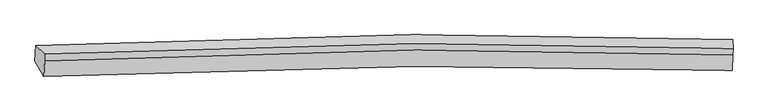
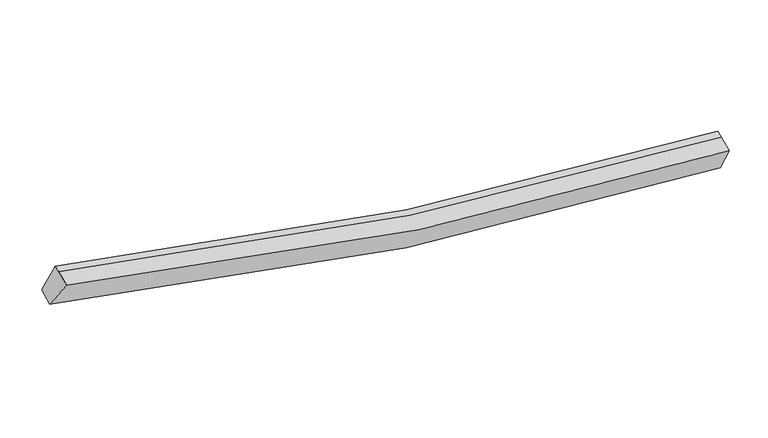
"""IFC4 building model written with IfcOpenShell, lengths in millimetres: proxy geometry."""

import ifcopenshell
import ifcopenshell.guid

model = None  # the IFC model being written
_history = None  # IfcOwnerHistory: only IFC2X3 demands one
_inside = {}  # id of a spatial element -> (the spatial element, [elements in it])
_under = {}  # id of a project, library or spatial element -> (it, [spatial elements below it])
_declared = {}  # id of a project -> (the project, [libraries it declares])
_typed = {}  # id of a type object -> (the type object, [elements of that type])
_made_of = {}  # id of a material, layer set ... -> (it, [elements and type objects made of it])


def new_model(schema):
    """Start an empty IFC model of exactly this schema.

    Asked for "IFC4X3", IfcOpenShell would pick the latest addendum, in which some entities
    have other attributes; the version numbers below select the first issue.
    IFC2X3 requires an IfcOwnerHistory on every rooted entity: one is made here for all.
    """
    global model, _history
    if schema == "IFC4X3":
        model = ifcopenshell.file(schema_version=(4, 3, 0, 0))
    else:
        model = ifcopenshell.file(schema=schema)
    _inside.clear()
    _under.clear()
    _declared.clear()
    _typed.clear()
    _made_of.clear()
    _history = None
    if model.schema == "IFC2X3":
        org = make("IfcOrganization", Name="unknown")
        user = make(
            "IfcPersonAndOrganization",
            ThePerson=make("IfcPerson", FamilyName="unknown"),
            TheOrganization=org,
        )
        app = make(
            "IfcApplication",
            ApplicationDeveloper=org,
            Version="unknown",
            ApplicationFullName="unknown",
            ApplicationIdentifier="unknown",
        )
        _history = make(
            "IfcOwnerHistory",
            OwningUser=user,
            OwningApplication=app,
            ChangeAction="ADDED",
            CreationDate=0,
        )
    return model


def make(cls, **values):
    """One entity of the class cls with the attributes given. An attribute that is None is left unset."""
    return model.create_entity(
        cls, **{name: value for name, value in values.items() if value is not None}
    )


def rooted(cls, **values):
    """An entity with a GlobalId (a new one), such as an element, a storey or a relation."""
    return make(cls, GlobalId=ifcopenshell.guid.new(), OwnerHistory=_history, **values)


def si_unit(unit_type, name, prefix=None):
    """IfcSIUnit, for example si_unit("LENGTHUNIT", "METRE", prefix="MILLI")."""
    return make("IfcSIUnit", UnitType=unit_type, Prefix=prefix, Name=name)


def assignment(units):
    """IfcUnitAssignment: the units of a project."""
    return None if units is None else make("IfcUnitAssignment", Units=units)


def point(xyz):
    """IfcCartesianPoint."""
    return None if xyz is None else make("IfcCartesianPoint", Coordinates=xyz)


def direction(xyz):
    """IfcDirection."""
    return None if xyz is None else make("IfcDirection", DirectionRatios=xyz)


def frame(location, z_axis=None, x_axis=None):
    """IfcAxis2Placement3D, a coordinate frame: its origin and axes. An axis left out is left unset."""
    return make(
        "IfcAxis2Placement3D",
        Location=point(location),
        Axis=direction(z_axis),
        RefDirection=direction(x_axis),
    )


def origin():
    """The frame at (0, 0, 0) with its axes left unset."""
    return frame((0.0, 0.0, 0.0))


def place(relative_to, where):
    """IfcLocalPlacement: puts the frame where relative to a parent placement (None: the world)."""
    return make(
        "IfcLocalPlacement", PlacementRelTo=relative_to, RelativePlacement=where
    )


def context(
    kind, dimensions, precision=None, world=None, true_north=None, identifier=None
):
    """IfcGeometricRepresentationContext, for example the 3D "Model" context."""
    return make(
        "IfcGeometricRepresentationContext",
        ContextIdentifier=identifier,
        ContextType=kind,
        CoordinateSpaceDimension=dimensions,
        Precision=precision,
        WorldCoordinateSystem=world,
        TrueNorth=true_north,
    )


def project(units=None, contexts=None):
    """IfcProject with its units and contexts."""
    return rooted(
        "IfcProject",
        Name="project",
        RepresentationContexts=contexts,
        UnitsInContext=assignment(units),
    )


def spatial(cls, under=None, at=None, **own):
    """A site, building, storey or space (cls), placed at a placement, below another one or the project."""
    s = rooted(cls, ObjectPlacement=at, **own)
    if under is not None:
        _under.setdefault(under.id(), (under, []))[1].append(s)
    return s


def shape(context_of_items, identifier, shape_type, items):
    """IfcShapeRepresentation: the items that make up one representation, for example the "Body"."""
    return make(
        "IfcShapeRepresentation",
        ContextOfItems=context_of_items,
        RepresentationIdentifier=identifier,
        RepresentationType=shape_type,
        Items=items,
    )


def source(mapping_origin, context_of_items, identifier, shape_type, items):
    """IfcRepresentationMap: a shape defined once, which mapped items show again and again."""
    return make(
        "IfcRepresentationMap",
        MappingOrigin=mapping_origin,
        MappedRepresentation=shape(context_of_items, identifier, shape_type, items),
    )


def transform(
    local_origin,
    x_axis=None,
    y_axis=None,
    z_axis=None,
    scale=None,
    scale2=None,
    scale3=None,
    uniform=True,
):
    """IfcCartesianTransformationOperator3D, or its non-uniform kind. x_axis, y_axis, z_axis: its Axis1, 2, 3."""
    if uniform:
        return make(
            "IfcCartesianTransformationOperator3D",
            Axis1=direction(x_axis),
            Axis2=direction(y_axis),
            LocalOrigin=point(local_origin),
            Scale=scale,
            Axis3=direction(z_axis),
        )
    return make(
        "IfcCartesianTransformationOperator3DnonUniform",
        Axis1=direction(x_axis),
        Axis2=direction(y_axis),
        LocalOrigin=point(local_origin),
        Scale=scale,
        Axis3=direction(z_axis),
        Scale2=scale2,
        Scale3=scale3,
    )


def mapped(mapping_source, mapping_target):
    """IfcMappedItem: shows the shape of a source again, moved by a transform."""
    return make(
        "IfcMappedItem", MappingSource=mapping_source, MappingTarget=mapping_target
    )


def made_of(thing, what):
    """Note that an element or type object is made of a material, layer set ...; save() writes the relation."""
    if what is not None:
        _made_of.setdefault(what.id(), (what, []))[1].append(thing)
    return thing


def element(
    cls,
    number,
    at=None,
    inside=None,
    cuts=None,
    type_object=None,
    material=None,
    context=None,
    identifier="Body",
    shape_type=None,
    held_by="IfcProductDefinitionShape",
    body=None,
    shapes=None,
    **own,
):
    """One element of the class cls, such as IfcWall. Its Tag is "e" and its number.

    at: its placement. inside: the storey or other place that contains it. cuts: it is an
    opening in that element (IfcRelVoidsElement). A single representation is given by context,
    identifier, shape_type and body (its items); several are given by shapes. held_by: the class
    of the entity that holds the representations. save() writes the other relations.
    """
    e = rooted(cls, Tag="e%d" % number, ObjectPlacement=at, **own)
    if body is not None:
        shapes = [shape(context, identifier, shape_type, body)]
    if shapes is not None:
        e.Representation = make(held_by, Representations=shapes)
    if inside is not None:
        _inside.setdefault(inside.id(), (inside, []))[1].append(e)
    if cuts is not None:
        rooted(
            "IfcRelVoidsElement", RelatingBuildingElement=cuts, RelatedOpeningElement=e
        )
    if type_object is not None:
        _typed.setdefault(type_object.id(), (type_object, []))[1].append(e)
    return made_of(e, material)


def aggregate(whole, parts):
    """IfcRelAggregates: a whole, such as a stair, and the parts it consists of."""
    return rooted("IfcRelAggregates", RelatingObject=whole, RelatedObjects=parts)


def save(model, path):
    """Write the relations noted so far, then the file.

    IfcRelAggregates (storeys below a building ...), IfcRelContainedInSpatialStructure (elements
    in a storey), IfcRelDefinesByType, IfcRelAssociatesMaterial and IfcRelDeclares: one each for
    every whole, place, type object, material and project.
    """
    for whole, parts in _under.values():
        aggregate(whole, parts)
    for where, things in _inside.values():
        rooted(
            "IfcRelContainedInSpatialStructure",
            RelatedElements=things,
            RelatingStructure=where,
        )
    for kind, things in _typed.values():
        rooted("IfcRelDefinesByType", RelatedObjects=things, RelatingType=kind)
    for what, things in _made_of.values():
        rooted("IfcRelAssociatesMaterial", RelatedObjects=things, RelatingMaterial=what)
    for by, libraries in _declared.values():
        rooted("IfcRelDeclares", RelatingContext=by, RelatedDefinitions=libraries)
    model.write(path)


def plane_surface(at):
    """IfcPlane: the flat surface through the origin of the frame at, square to its z axis."""
    return make("IfcPlane", Position=at)


def spline_curve(degree, points, multiplicities, knots, weights=None):
    """IfcBSplineCurveWithKnots; with weights, IfcRationalBSplineCurveWithKnots."""
    own = dict(
        Degree=degree,
        ControlPointsList=[point(p) for p in points],
        CurveForm="UNSPECIFIED",
        ClosedCurve=False,
        SelfIntersect=False,
        KnotMultiplicities=multiplicities,
        Knots=knots,
        KnotSpec="UNSPECIFIED",
    )
    if weights is None:
        return make("IfcBSplineCurveWithKnots", **own)
    return make("IfcRationalBSplineCurveWithKnots", WeightsData=weights, **own)


def spline_surface(u_degree, v_degree, points, u_multiplicities, v_multiplicities, u_knots, v_knots, weights=None):
    """IfcBSplineSurfaceWithKnots; with weights, IfcRationalBSplineSurfaceWithKnots. points: one row for each step in u."""
    own = dict(
        UDegree=u_degree,
        VDegree=v_degree,
        ControlPointsList=[[point(p) for p in row] for row in points],
        SurfaceForm="UNSPECIFIED",
        UClosed=False,
        VClosed=False,
        SelfIntersect=False,
        UMultiplicities=u_multiplicities,
        VMultiplicities=v_multiplicities,
        UKnots=u_knots,
        VKnots=v_knots,
        KnotSpec="UNSPECIFIED",
    )
    if weights is None:
        return make("IfcBSplineSurfaceWithKnots", **own)
    return make("IfcRationalBSplineSurfaceWithKnots", WeightsData=weights, **own)


def advanced_brep(points, edges, surfaces, faces):
    """IfcAdvancedBrep: a solid bounded by faces that lie on surfaces and meet in shared edges.

    An edge is (start, end): straight between two places in points (the first is 0);
    or (start, end, curve); or (start, end, curve, False) where it runs against its curve.
    A face is (place in surfaces, loops), or (place, loops, False) where it looks against
    its surface's normal. A loop lists edges by number (the first is 1), with a minus sign
    where the edge is run from its end to its start. The first loop is the outer one.
    """
    corners = [point(p) for p in points]
    vertices = [make("IfcVertexPoint", VertexGeometry=c) for c in corners]
    made = []
    for start, end, *more in edges:
        made.append(
            make(
                "IfcEdgeCurve",
                EdgeStart=vertices[start],
                EdgeEnd=vertices[end],
                EdgeGeometry=more[0] if more else make("IfcPolyline", Points=[corners[start], corners[end]]),
                SameSense=more[1] if len(more) > 1 else True,
            )
        )
    hull = []
    for where, loops, *sense in faces:
        bounds = []
        for j, loop in enumerate(loops):
            ring = [make("IfcOrientedEdge", EdgeElement=made[abs(k) - 1], Orientation=k > 0) for k in loop]
            bounds.append(
                make(
                    "IfcFaceOuterBound" if j == 0 else "IfcFaceBound",
                    Bound=make("IfcEdgeLoop", EdgeList=ring),
                    Orientation=True,
                )
            )
        hull.append(make("IfcAdvancedFace", Bounds=bounds, FaceSurface=surfaces[where], SameSense=sense[0] if sense else True))
    return make("IfcAdvancedBrep", Outer=make("IfcClosedShell", CfsFaces=hull))


def generic_models_213634e4(model_context):
    return source(origin(), model_context, "Body", "AdvancedBrep", [
        advanced_brep(
        [(-7504.6761158, -2551.7938899, 4562.5397181), (-7703.8435943, -2202.1840984, 3963.2750686), (8038.2160902, -2070.5910285, 1737.3222806), (8037.5094331, -2422.4091819, 2367.5891277), (-7487.2921843, -2204.0461319, 4684.1642933), (8050.2826625, -2074.7123665, 2489.9288624), (-7481.7913735, -2051.0102107, 4730.5296672), (8055.7834732, -1921.6764452, 2536.2942363), (-7683.2873778, -1851.5233839, 4095.9988435), (8051.2658498, -1720.0132511, 1871.2103715)],
        [
            (0, 1),
            (1, 2, spline_curve(3, [(-7703.8435943, -2202.1840984, 3963.2750686), (-4906.239739091, -2066.248755, 3196.666316707), (-2084.286113438, -1991.079128474, 2627.60204487), (3169.989372441, -1964.489514161, 1941.776585034), (5595.388975344, -1995.794783846, 1768.856594213), (8038.2160902, -2070.5910285, 1737.3222806)], [4, 2, 4], [0.0, 28.139989852709146, 51.94641551499688])),
            (2, 3),
            (3, 0, spline_curve(3, [(8037.5094331, -2422.4091819, 2367.5891277), (5618.589055455, -2348.611089887, 2399.581687232), (3220.133071496, -2317.691924785, 2570.579472544), (-1968.723960931, -2343.788526058, 3247.016388314), (-4750.996494156, -2417.835926703, 3807.668800381), (-7504.6761158, -2551.7938899, 4562.5397181)], [4, 2, 4], [0.0, 23.806425662287733, 51.94641551499688])),
            (4, 0),
            (3, 5),
            (5, 4, spline_curve(3, [(8050.2826625, -2074.7123665, 2489.9288624), (5632.336870307, -1989.166288068, 2525.498262612), (3234.731623377, -1951.879532989, 2698.383596926), (-1952.539316655, -1975.822044646, 3375.253117218), (-4734.125684686, -2056.220053944, 3933.779594408), (-7487.2921843, -2204.0461319, 4684.1642933)], [4, 2, 4], [0.0, 23.650487777577652, 51.606153844950725])),
            (6, 4),
            (5, 7),
            (7, 6, spline_curve(3, [(8055.7834732, -1921.6764452, 2536.2942363), (5637.731905278, -1839.073119388, 2570.972069403), (3240.069357608, -1803.380489, 2743.374430911), (-1947.220836318, -1827.858679573, 3420.081655956), (-4728.749904526, -1906.662565119, 3979.091105307), (-7481.7913735, -2051.0102107, 4730.5296672)], [4, 2, 4], [0.0, 23.647011457383215, 51.59856839823793])),
            (8, 6),
            (7, 9),
            (9, 8, spline_curve(3, [(8051.2658498, -1720.0132511, 1871.2103715), (5609.653902309, -1636.426234636, 1905.436597257), (3185.438092539, -1600.353092239, 2079.733315885), (-2066.322779661, -1625.3171537, 2765.693065362), (-4886.958045971, -1705.227006026, 3332.99250371), (-7683.2873778, -1851.5233839, 4095.9988435)], [4, 2, 4], [0.0, 23.797227872878658, 51.92634563146034])),
            (1, 8),
            (9, 2),
        ],
        [
            spline_surface(3, 3, [[(-7504.6761158, -2551.7938899, 4562.5397181), (-4750.99649386, -2417.835926755, 3807.668800321), (-1968.723961342, -2343.788525896, 3247.0163884), (3220.133071844, -2317.691924923, 2570.579472471), (5618.589055603, -2348.611089776, 2399.581687619), (8037.5094331, -2422.4091819, 2367.5891277)], [(-7571.065275303, -2435.257292721, 4362.784834925), (-4802.744242349, -2300.640202876, 3604.001305699), (-2007.244678864, -2226.218726778, 3040.54494049), (3203.418505504, -2199.957787933, 2360.978510099), (5610.855695585, -2231.005654485, 2189.339989914), (8037.744985464, -2305.1364641, 2157.50017866)], [(-7637.454434797, -2318.720695579, 4163.029951775), (-4854.491990829, -2183.444479032, 3400.333811103), (-2045.765396378, -2108.648927741, 2834.073492498), (3186.703939172, -2082.223651024, 2151.377547644), (5603.122335576, -2113.400219193, 1979.098292228), (8037.980537836, -2187.8637463, 1947.41122964)], [(-7703.8435943, -2202.1840984, 3963.2750686), (-4906.239739318, -2066.248755153, 3196.666316481), (-2084.2861139, -1991.079128623, 2627.602044588), (3169.989372832, -1964.489514035, 1941.776585272), (5595.388975558, -1995.794783901, 1768.856594522), (8038.2160902, -2070.5910285, 1737.3222806)]], [4, 4], [4, 2, 4], [0.0, 2.367691374182162], [0.0, 28.139989852709146, 51.94641551499688]),
            spline_surface(3, 3, [[(-7487.2921843, -2204.0461319, 4684.1642933), (-4734.125684774, -2056.220054314, 3933.779593952), (-1952.539316319, -1975.82204432, 3375.25311753), (3234.731623094, -1951.879533264, 2698.383596662), (5632.336870266, -1989.16628815, 2525.498262768), (8050.2826625, -2074.7123665, 2489.9288624)], [(-7493.086828143, -2319.962051239, 4643.622768258), (-4739.749287813, -2176.758678467, 3891.742662766), (-1957.934197986, -2098.477538201, 3332.507541144), (3229.865439351, -2073.816997172, 2655.782221922), (5627.754265393, -2108.981222046, 2483.526071054), (8046.024919381, -2190.611304988, 2449.148950836)], [(-7498.881471957, -2435.877970561, 4603.081243142), (-4745.372890821, -2297.297302602, 3849.705731507), (-1963.329079676, -2221.133032015, 3289.761964787), (3224.999255586, -2195.754461015, 2613.180847211), (5623.171660476, -2228.79615588, 2441.553879333), (8041.767176219, -2306.510243412, 2408.369039264)], [(-7504.6761158, -2551.7938899, 4562.5397181), (-4750.99649386, -2417.835926755, 3807.668800321), (-1968.723961342, -2343.788525896, 3247.0163884), (3220.133071844, -2317.691924923, 2570.579472471), (5618.589055603, -2348.611089776, 2399.581687619), (8037.5094331, -2422.4091819, 2367.5891277)]], [4, 4], [4, 2, 4], [0.0, 1.2760325743631833], [0.0, 27.955666067373073, 51.606153844950725]),
            spline_surface(3, 3, [[(-7481.7913735, -2051.0102107, 4730.5296672), (-4728.749904731, -1906.662565289, 3979.091105417), (-1947.220836453, -1827.858679437, 3420.081656386), (3240.069357722, -1803.380489115, 2743.374430548), (5637.731904971, -1839.073119759, 2570.972069264), (8055.7834732, -1921.6764452, 2536.2942363)], [(-7483.624977081, -2102.022184436, 4715.074542552), (-4730.541831393, -1956.515061634, 3963.987268247), (-1948.993663077, -1877.179801055, 3405.138810098), (3238.290112844, -1852.880170488, 2728.377485916), (5635.933560055, -1889.104175858, 2555.81413375), (8053.949869619, -1972.688418936, 2520.839111652)], [(-7485.458580719, -2153.034158164, 4699.619417948), (-4732.333758112, -2006.36755797, 3948.883431122), (-1950.766489695, -1926.500922702, 3390.195963819), (3236.510867972, -1902.379851891, 2713.380541293), (5634.135215182, -1939.13523205, 2540.656198282), (8052.116266081, -2023.700392764, 2505.383987048)], [(-7487.2921843, -2204.0461319, 4684.1642933), (-4734.125684774, -2056.220054314, 3933.779593952), (-1952.539316319, -1975.82204432, 3375.25311753), (3234.731623094, -1951.879533264, 2698.383596662), (5632.336870266, -1989.16628815, 2525.498262768), (8050.2826625, -2074.7123665, 2489.9288624)]], [4, 4], [4, 2, 4], [0.0, 0.5084152182655243], [0.0, 27.951556940854715, 51.59856839823793]),
            spline_surface(3, 3, [[(-7683.2873778, -1851.5233839, 4095.9988435), (-4886.958045508, -1705.227006456, 3332.992503847), (-2066.322779699, -1625.317153564, 2765.693065119), (3185.43809257, -1600.353092354, 2079.733316091), (5609.653902639, -1636.426234308, 1905.436597485), (8051.2658498, -1720.0132511, 1871.2103715)], [(-7616.122043031, -1918.018992824, 4307.509118058), (-4834.22199858, -1772.372192725, 3548.358704362), (-2026.622131949, -1692.830995509, 2983.822595551), (3203.648514289, -1668.028891262, 2300.94702092), (5619.013236777, -1703.975196135, 2127.281754743), (8052.771724294, -1787.23431581, 2092.904993099)], [(-7548.956708269, -1984.514601776, 4519.019392642), (-4781.485951658, -1839.517379021, 3763.724904902), (-1986.921484202, -1760.344837491, 3201.952125954), (3221.858936004, -1735.704690206, 2522.160725719), (5628.372570833, -1771.524157932, 2349.126912006), (8054.277598706, -1854.45538049, 2314.599614701)], [(-7481.7913735, -2051.0102107, 4730.5296672), (-4728.749904731, -1906.662565289, 3979.091105417), (-1947.220836453, -1827.858679437, 3420.081656386), (3240.069357722, -1803.380489115, 2743.374430548), (5637.731904971, -1839.073119759, 2570.972069264), (8055.7834732, -1921.6764452, 2536.2942363)]], [4, 4], [4, 2, 4], [0.0, 2.279720937031234], [0.0, 28.129117758581685, 51.92634563146034]),
            spline_surface(3, 3, [[(-7703.8435943, -2202.1840984, 3963.2750686), (-4906.239739318, -2066.248755153, 3196.666316481), (-2084.2861139, -1991.079128623, 2627.602044588), (3169.989372832, -1964.489514035, 1941.776585272), (5595.388975558, -1995.794783901, 1768.856594522), (8038.2160902, -2070.5910285, 1737.3222806)], [(-7696.991522142, -2085.297193579, 4007.516326908), (-4899.812508056, -1945.908172266, 3242.108378944), (-2078.298335837, -1869.158470297, 2673.63238474), (3175.138946074, -1843.110706834, 1987.762162188), (5600.143951227, -1876.00526737, 1814.383262197), (8042.566010042, -1953.731769366, 1781.951644254)], [(-7690.139449958, -1968.410288721, 4051.757585192), (-4893.38527677, -1825.567589342, 3287.550441384), (-2072.310557762, -1747.23781189, 2719.662724966), (3180.288519328, -1721.731899554, 2033.747739176), (5604.89892697, -1756.21575084, 1859.909929811), (8046.915929958, -1836.872510234, 1826.581007846)], [(-7683.2873778, -1851.5233839, 4095.9988435), (-4886.958045508, -1705.227006456, 3332.992503847), (-2066.322779699, -1625.317153564, 2765.693065119), (3185.43809257, -1600.353092354, 2079.733316091), (5609.653902639, -1636.426234308, 1905.436597485), (8051.2658498, -1720.0132511, 1871.2103715)]], [4, 4], [4, 2, 4], [0.0, 1.2813967148471597], [0.0, 28.31342616839848, 52.26657891830105]),
            plane_surface(frame((8046.6115018, -2041.8804546, 2200.4689757), z_axis=(0.9993876918761082, -0.03101653926492785, -0.016193073166395247), x_axis=(-0.034380067143044, -0.9564745075534917, -0.2897835871534918))),
            plane_surface(frame((-7572.1781291, -2172.111543, 4407.3015181), z_axis=(-0.9564324681347288, -0.0526259318021354, 0.28717145610186984), x_axis=(0.27592701585909735, -0.4843500917742858, 0.8302224223166551))),
        ],
        [
            (0, [[1, 2, 3, 4]]),
            (1, [[5, -4, 6, 7]]),
            (2, [[8, -7, 9, 10]]),
            (3, [[11, -10, 12, 13]]),
            (4, [[14, -13, 15, -2]]),
            (5, [[-9, -6, -3, -15, -12]]),
            (6, [[-1, -5, -8, -11, -14]]),
        ],
    ),
    ])


if __name__ == "__main__":
    model = new_model("IFC4")
    model_context = context("Model", 3, world=origin())
    ifc_project = project(units=[si_unit("LENGTHUNIT", "METRE", prefix="MILLI")], contexts=[model_context])
    site = spatial("IfcSite", under=ifc_project)
    building = spatial("IfcBuilding", under=site)
    placement = place(None, origin())
    generic_models_shape = generic_models_213634e4(model_context)
    element("IfcBuildingElementProxy", 1, Name="Generic Models", at=placement, inside=building, context=model_context, shape_type="MappedRepresentation", body=[
        mapped(generic_models_shape, transform((0.0, 0.0, 0.0), x_axis=(1.0, 0.0, 0.0), y_axis=(0.0, 1.0, 0.0), z_axis=(0.0, 0.0, 1.0))),
    ])
    save(model, "model.ifc")
